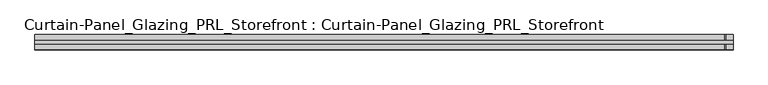
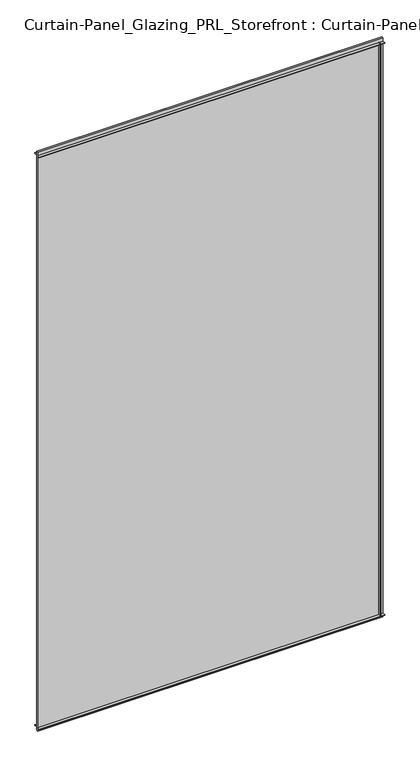
"""IFC4 building model written with IfcOpenShell, lengths in millimetres: plate geometry, Curtain-Panel_Glazing_PRL_Storefront : Curtain-Panel_Glazing_PRL_Storefront."""

from ifc_helpers import new_model, si_unit, frame, origin, origin_with_axes, place, context, project, spatial, polyline, outline, extrude, source, transform, mapped, element, save


def curtain_panel_glazing_prl_storefront_curtain_panel_glazing_f5ab32ea(model_context):
    return source(origin(), model_context, "Body", "SweptSolid", [
        extrude(outline(polyline([(577.85, -12.7), (576.2625, -12.7), (576.2625, -3.175), (577.85, -3.175), (577.85, -12.7)])), frame((0.0, 0.0, 12.7), z_axis=(0.0, 0.0, 1.0), x_axis=(1.0, 0.0, 0.0)), (0.0, 0.0, 1.0), 2060.575),
        extrude(outline(polyline([(577.85, 12.7), (577.85, 3.175), (576.2625, 3.175), (576.2625, 12.7), (577.85, 12.7)])), frame((0.0, 0.0, 12.7), z_axis=(0.0, 0.0, 1.0), x_axis=(1.0, 0.0, 0.0)), (0.0, 0.0, 1.0), 2060.575),
        extrude(outline(polyline([(590.55, 3.175), (590.55, -3.175), (-587.375, -3.175), (-587.375, 3.175), (590.55, 3.175)])), origin_with_axes(), (0.0, 0.0, 1.0), 2085.975),
        extrude(outline(polyline([(-587.375, -12.7), (-587.375, -3.175), (590.55, -3.175), (590.55, -12.7), (-587.375, -12.7)])), frame((0.0, 0.0, 2071.6875), z_axis=(0.0, 0.0, 1.0), x_axis=(1.0, 0.0, 0.0)), (0.0, 0.0, 1.0), 1.5875),
        extrude(outline(polyline([(-587.375, 12.7), (590.55, 12.7), (590.55, 3.175), (-587.375, 3.175), (-587.375, 12.7)])), frame((0.0, 0.0, 2071.6875), z_axis=(0.0, 0.0, 1.0), x_axis=(1.0, 0.0, 0.0)), (0.0, 0.0, 1.0), 1.5875),
        extrude(outline(polyline([(-587.375, -12.7), (-587.375, -3.175), (590.55, -3.175), (590.55, -12.7), (-587.375, -12.7)])), frame((0.0, 0.0, 12.7), z_axis=(0.0, 0.0, 1.0), x_axis=(1.0, 0.0, 0.0)), (0.0, 0.0, 1.0), 1.5875),
        extrude(outline(polyline([(-587.375, 12.7), (590.55, 12.7), (590.55, 3.175), (-587.375, 3.175), (-587.375, 12.7)])), frame((0.0, 0.0, 12.7), z_axis=(0.0, 0.0, 1.0), x_axis=(1.0, 0.0, 0.0)), (0.0, 0.0, 1.0), 1.5875),
    ])


if __name__ == "__main__":
    model = new_model("IFC4")
    model_context = context("Model", 3, world=origin())
    ifc_project = project(units=[si_unit("LENGTHUNIT", "METRE", prefix="MILLI")], contexts=[model_context])
    site = spatial("IfcSite", under=ifc_project)
    building = spatial("IfcBuilding", under=site)
    placement = place(None, origin())
    curtain_panel_glazing_prl_storefront_curtain_panel_glazing_shape = curtain_panel_glazing_prl_storefront_curtain_panel_glazing_f5ab32ea(model_context)
    element("IfcPlate", 1, ObjectType="Curtain-Panel_Glazing_PRL_Storefront : Curtain-Panel_Glazing_PRL_Storefront", at=placement, inside=building, context=model_context, shape_type="MappedRepresentation", body=[
        mapped(curtain_panel_glazing_prl_storefront_curtain_panel_glazing_shape, transform((0.0, 0.0, 0.0), x_axis=(1.0, 0.0, 0.0), y_axis=(0.0, 1.0, 0.0), z_axis=(0.0, 0.0, 1.0))),
    ])
    save(model, "model.ifc")
